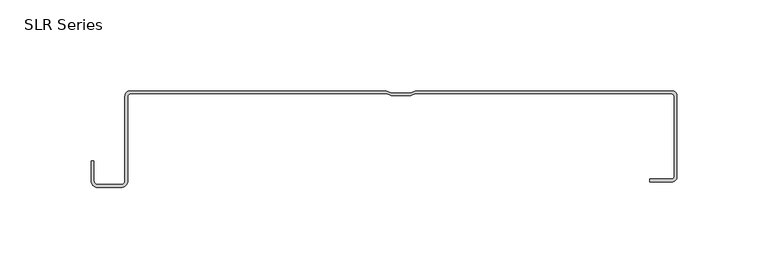
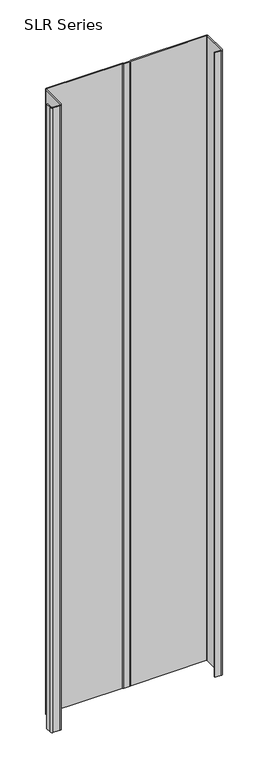
"""IFC4 building model written with IfcOpenShell, lengths in millimetres: plate geometry, SLR Series."""

from ifc_helpers import new_model, si_unit, point, frame_2d, origin, origin_with_axes, place, context, project, spatial, polyline, circle_curve, trimmed, segment, composite_curve, outline, extrude, source, transform, mapped, element, save


def slr_series_e1c397f4(model_context):
    return source(origin(), model_context, "Body", "SweptSolid", [
        extrude(outline(composite_curve([segment(polyline([(149.7262298, -1.6177749), (8.636676, -1.6177749), (6.2654839, -2.5662518), (-4.4436609, -2.5662518), (-6.814853, -1.6177749), (-147.9043372, -1.6177749)]), True, "CONTINUOUS"), segment(trimmed(circle_curve(frame_2d((-147.9043372, -2.7738398)), 1.1560648), [point((-147.9043372, -1.6177749))], [point((-149.060402, -2.7738398))], True, "CARTESIAN"), True, "CONTINUOUS"), segment(polyline([(-149.060402, -2.7738398), (-149.060402, -49.4817223)]), True, "CONTINUOUS"), segment(trimmed(circle_curve(frame_2d((-152.7361871, -49.4817223)), 3.6757851), [point((-149.060402, -49.4817223))], [point((-152.7361871, -53.1575073))], False, "CARTESIAN"), True, "CONTINUOUS"), segment(polyline([(-152.7361871, -53.1575073), (-165.6211202, -53.1575073)]), True, "CONTINUOUS"), segment(trimmed(circle_curve(frame_2d((-165.6211202, -49.4817223)), 3.6757851), [point((-165.6211202, -53.1575073))], [point((-169.2969053, -49.4817223))], False, "CARTESIAN"), True, "CONTINUOUS"), segment(polyline([(-169.2969053, -49.4817223), (-169.2969053, -38.6547993), (-167.6791304, -38.6547993), (-167.6791304, -49.4817223)]), True, "CONTINUOUS"), segment(trimmed(circle_curve(frame_2d((-165.6211202, -49.4817223)), 2.0580101), [point((-167.6791304, -49.4817223))], [point((-165.6211202, -51.5397324))], True, "CARTESIAN"), True, "CONTINUOUS"), segment(polyline([(-165.6211202, -51.5397324), (-152.7361871, -51.5397324)]), True, "CONTINUOUS"), segment(trimmed(circle_curve(frame_2d((-152.7361871, -49.4817223)), 2.0580101), [point((-152.7361871, -51.5397324))], [point((-150.678177, -49.4817223))], True, "CARTESIAN"), True, "CONTINUOUS"), segment(polyline([(-150.678177, -49.4817223), (-150.678177, -2.7738398)]), True, "CONTINUOUS"), segment(trimmed(circle_curve(frame_2d((-147.9043372, -2.7738398)), 2.7738398), [point((-150.678177, -2.7738398))], [point((-147.9043372, 0.0))], False, "CARTESIAN"), True, "CONTINUOUS"), segment(polyline([(-147.9043372, 0.0), (-7.0740323, 0.0), (-4.2493832, -1.1298596), (6.0712062, -1.1298596), (8.8958553, 0.0), (149.7681716, 0.0)]), True, "CONTINUOUS"), segment(trimmed(circle_curve(frame_2d((149.7262298, -2.7734531)), 2.7737702), [point((149.7681716, 0.0))], [point((152.5, -2.7734531))], False, "CARTESIAN"), True, "CONTINUOUS"), segment(polyline([(152.5, -2.7734531), (152.5, -47.2671954)]), True, "CONTINUOUS"), segment(trimmed(circle_curve(frame_2d((149.7262298, -47.2671954)), 2.7737702), [point((152.5, -47.2671954))], [point((149.7262298, -50.0409655))], False, "CARTESIAN"), True, "CONTINUOUS"), segment(polyline([(149.7262298, -50.0409655), (137.6469081, -50.0409655), (137.6469081, -48.4232312), (149.7262298, -48.4232312)]), True, "CONTINUOUS"), segment(trimmed(circle_curve(frame_2d((149.7262298, -47.2671954)), 1.1560358), [point((149.7262298, -48.4232312))], [point((150.8822657, -47.2671954))], True, "CARTESIAN"), True, "CONTINUOUS"), segment(polyline([(150.8822657, -47.2671954), (150.8822657, -2.7738108)]), True, "CONTINUOUS"), segment(trimmed(circle_curve(frame_2d((149.7262298, -2.7738108)), 1.1560358), [point((150.8822657, -2.7738108))], [point((149.7262298, -1.6177749))], True, "CARTESIAN"), True, "CONTINUOUS")], self_intersect=False)), origin_with_axes(), (0.0, 0.0, 1.0), 1228.3559792),
    ])


if __name__ == "__main__":
    model = new_model("IFC4")
    model_context = context("Model", 3, world=origin())
    ifc_project = project(units=[si_unit("LENGTHUNIT", "METRE", prefix="MILLI")], contexts=[model_context])
    site = spatial("IfcSite", under=ifc_project)
    building = spatial("IfcBuilding", under=site)
    placement = place(None, origin())
    slr_series_shape = slr_series_e1c397f4(model_context)
    element("IfcPlate", 1, ObjectType="SLR Series", at=placement, inside=building, context=model_context, shape_type="MappedRepresentation", body=[
        mapped(slr_series_shape, transform((0.0, 0.0, 0.0), x_axis=(1.0, 0.0, 0.0), y_axis=(0.0, 1.0, 0.0), z_axis=(0.0, 0.0, 1.0))),
    ])
    save(model, "model.ifc")
